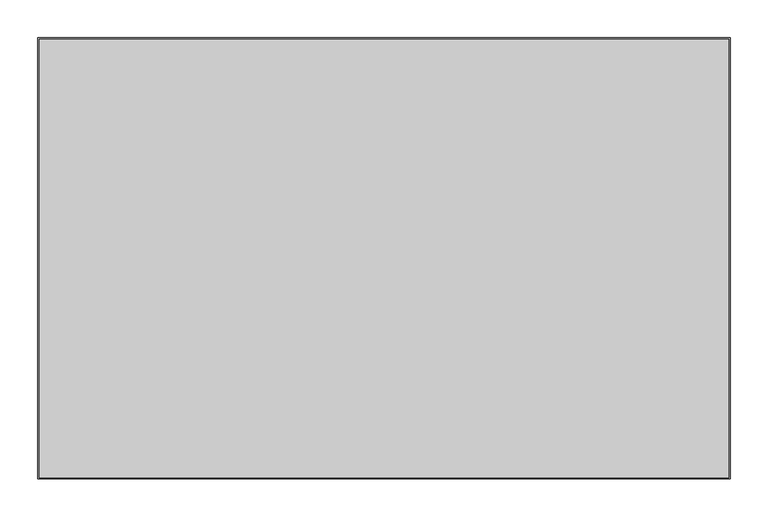
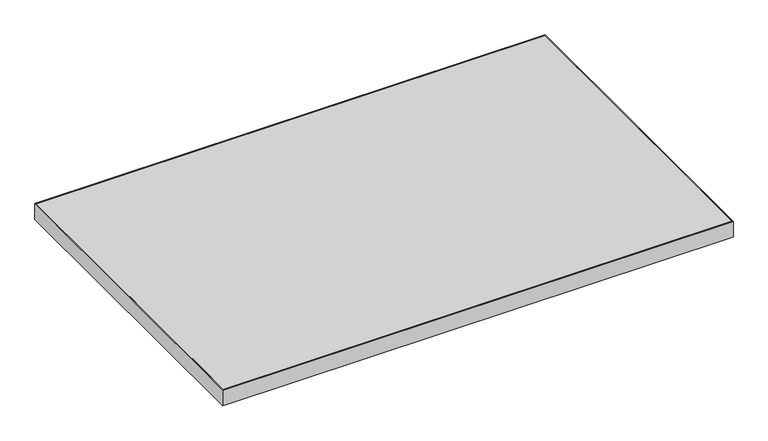
"""IFC4 building model written with IfcOpenShell, lengths in millimetres: furniture geometry."""

from ifc_helpers import new_model, si_unit, frame, origin, place, context, project, spatial, polyline, outline, extrude, source, transform, mapped, element, save


def furniture_4c347165(model_context):
    return source(origin(), model_context, "Body", "SweptSolid", [
        extrude(outline(polyline([(149.2758, 831.9008), (149.2758, 253.9492), (-758.8758, 253.9492), (-758.8758, 831.9008), (149.2758, 831.9008)])), frame((0.0, 0.0, 707.009), z_axis=(0.0, 0.0, 1.0), x_axis=(1.0, 0.0, 0.0)), (0.0, 0.0, 1.0), 29.591),
        extrude(outline(polyline([(150.8633, 252.3617), (-760.4633, 252.3617), (-760.4633, 833.4883), (150.8633, 833.4883), (150.8633, 252.3617)]), holes=[polyline([(149.2758, 831.9008), (-758.8758, 831.9008), (-758.8758, 253.9492), (149.2758, 253.9492), (149.2758, 831.9008)])]), frame((0.0, 0.0, 707.009), z_axis=(0.0, 0.0, 1.0), x_axis=(1.0, 0.0, 0.0)), (0.0, 0.0, 1.0), 29.591),
    ])


if __name__ == "__main__":
    model = new_model("IFC4")
    model_context = context("Model", 3, world=origin())
    ifc_project = project(units=[si_unit("LENGTHUNIT", "METRE", prefix="MILLI")], contexts=[model_context])
    site = spatial("IfcSite", under=ifc_project)
    building = spatial("IfcBuilding", under=site)
    placement = place(None, origin())
    furniture_shape = furniture_4c347165(model_context)
    element("IfcFurniture", 1, at=placement, inside=building, context=model_context, shape_type="MappedRepresentation", body=[
        mapped(furniture_shape, transform((0.0, 0.0, 0.0), x_axis=(1.0, 0.0, 0.0), y_axis=(0.0, 1.0, 0.0), z_axis=(0.0, 0.0, 1.0))),
    ])
    save(model, "model.ifc")
